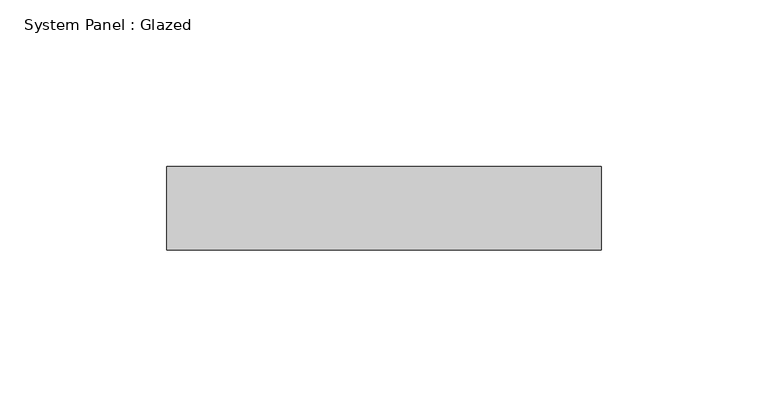
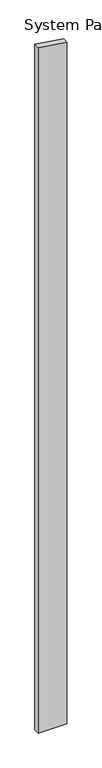
"""IFC4 building model written with IfcOpenShell, lengths in millimetres: plate geometry, System Panel : Glazed."""

import ifcopenshell
import ifcopenshell.guid

model = None  # the IFC model being written
_history = None  # IfcOwnerHistory: only IFC2X3 demands one
_inside = {}  # id of a spatial element -> (the spatial element, [elements in it])
_under = {}  # id of a project, library or spatial element -> (it, [spatial elements below it])
_declared = {}  # id of a project -> (the project, [libraries it declares])
_typed = {}  # id of a type object -> (the type object, [elements of that type])
_made_of = {}  # id of a material, layer set ... -> (it, [elements and type objects made of it])


def new_model(schema):
    """Start an empty IFC model of exactly this schema.

    Asked for "IFC4X3", IfcOpenShell would pick the latest addendum, in which some entities
    have other attributes; the version numbers below select the first issue.
    IFC2X3 requires an IfcOwnerHistory on every rooted entity: one is made here for all.
    """
    global model, _history
    if schema == "IFC4X3":
        model = ifcopenshell.file(schema_version=(4, 3, 0, 0))
    else:
        model = ifcopenshell.file(schema=schema)
    _inside.clear()
    _under.clear()
    _declared.clear()
    _typed.clear()
    _made_of.clear()
    _history = None
    if model.schema == "IFC2X3":
        org = make("IfcOrganization", Name="unknown")
        user = make(
            "IfcPersonAndOrganization",
            ThePerson=make("IfcPerson", FamilyName="unknown"),
            TheOrganization=org,
        )
        app = make(
            "IfcApplication",
            ApplicationDeveloper=org,
            Version="unknown",
            ApplicationFullName="unknown",
            ApplicationIdentifier="unknown",
        )
        _history = make(
            "IfcOwnerHistory",
            OwningUser=user,
            OwningApplication=app,
            ChangeAction="ADDED",
            CreationDate=0,
        )
    return model


def make(cls, **values):
    """One entity of the class cls with the attributes given. An attribute that is None is left unset."""
    return model.create_entity(
        cls, **{name: value for name, value in values.items() if value is not None}
    )


def rooted(cls, **values):
    """An entity with a GlobalId (a new one), such as an element, a storey or a relation."""
    return make(cls, GlobalId=ifcopenshell.guid.new(), OwnerHistory=_history, **values)


def si_unit(unit_type, name, prefix=None):
    """IfcSIUnit, for example si_unit("LENGTHUNIT", "METRE", prefix="MILLI")."""
    return make("IfcSIUnit", UnitType=unit_type, Prefix=prefix, Name=name)


def assignment(units):
    """IfcUnitAssignment: the units of a project."""
    return None if units is None else make("IfcUnitAssignment", Units=units)


def point(xyz):
    """IfcCartesianPoint."""
    return None if xyz is None else make("IfcCartesianPoint", Coordinates=xyz)


def direction(xyz):
    """IfcDirection."""
    return None if xyz is None else make("IfcDirection", DirectionRatios=xyz)


def frame(location, z_axis=None, x_axis=None):
    """IfcAxis2Placement3D, a coordinate frame: its origin and axes. An axis left out is left unset."""
    return make(
        "IfcAxis2Placement3D",
        Location=point(location),
        Axis=direction(z_axis),
        RefDirection=direction(x_axis),
    )


def origin():
    """The frame at (0, 0, 0) with its axes left unset."""
    return frame((0.0, 0.0, 0.0))


def place(relative_to, where):
    """IfcLocalPlacement: puts the frame where relative to a parent placement (None: the world)."""
    return make(
        "IfcLocalPlacement", PlacementRelTo=relative_to, RelativePlacement=where
    )


def context(
    kind, dimensions, precision=None, world=None, true_north=None, identifier=None
):
    """IfcGeometricRepresentationContext, for example the 3D "Model" context."""
    return make(
        "IfcGeometricRepresentationContext",
        ContextIdentifier=identifier,
        ContextType=kind,
        CoordinateSpaceDimension=dimensions,
        Precision=precision,
        WorldCoordinateSystem=world,
        TrueNorth=true_north,
    )


def project(units=None, contexts=None):
    """IfcProject with its units and contexts."""
    return rooted(
        "IfcProject",
        Name="project",
        RepresentationContexts=contexts,
        UnitsInContext=assignment(units),
    )


def spatial(cls, under=None, at=None, **own):
    """A site, building, storey or space (cls), placed at a placement, below another one or the project."""
    s = rooted(cls, ObjectPlacement=at, **own)
    if under is not None:
        _under.setdefault(under.id(), (under, []))[1].append(s)
    return s


def polyline(points):
    """IfcPolyline through the points."""
    return make("IfcPolyline", Points=[point(p) for p in points])


def outline(outer, holes=None, kind="AREA"):
    """IfcArbitraryClosedProfileDef: a profile drawn as a closed curve; with holes, ...WithVoids."""
    if holes is None:
        return make("IfcArbitraryClosedProfileDef", ProfileType=kind, OuterCurve=outer)
    return make(
        "IfcArbitraryProfileDefWithVoids",
        ProfileType=kind,
        OuterCurve=outer,
        InnerCurves=holes,
    )


def extrude(swept, where, along, depth):
    """IfcExtrudedAreaSolid: the profile swept, set in the frame where, extruded along a direction by depth."""
    return make(
        "IfcExtrudedAreaSolid",
        SweptArea=swept,
        Position=where,
        ExtrudedDirection=direction(along),
        Depth=depth,
    )


def shape(context_of_items, identifier, shape_type, items):
    """IfcShapeRepresentation: the items that make up one representation, for example the "Body"."""
    return make(
        "IfcShapeRepresentation",
        ContextOfItems=context_of_items,
        RepresentationIdentifier=identifier,
        RepresentationType=shape_type,
        Items=items,
    )


def source(mapping_origin, context_of_items, identifier, shape_type, items):
    """IfcRepresentationMap: a shape defined once, which mapped items show again and again."""
    return make(
        "IfcRepresentationMap",
        MappingOrigin=mapping_origin,
        MappedRepresentation=shape(context_of_items, identifier, shape_type, items),
    )


def transform(
    local_origin,
    x_axis=None,
    y_axis=None,
    z_axis=None,
    scale=None,
    scale2=None,
    scale3=None,
    uniform=True,
):
    """IfcCartesianTransformationOperator3D, or its non-uniform kind. x_axis, y_axis, z_axis: its Axis1, 2, 3."""
    if uniform:
        return make(
            "IfcCartesianTransformationOperator3D",
            Axis1=direction(x_axis),
            Axis2=direction(y_axis),
            LocalOrigin=point(local_origin),
            Scale=scale,
            Axis3=direction(z_axis),
        )
    return make(
        "IfcCartesianTransformationOperator3DnonUniform",
        Axis1=direction(x_axis),
        Axis2=direction(y_axis),
        LocalOrigin=point(local_origin),
        Scale=scale,
        Axis3=direction(z_axis),
        Scale2=scale2,
        Scale3=scale3,
    )


def mapped(mapping_source, mapping_target):
    """IfcMappedItem: shows the shape of a source again, moved by a transform."""
    return make(
        "IfcMappedItem", MappingSource=mapping_source, MappingTarget=mapping_target
    )


def made_of(thing, what):
    """Note that an element or type object is made of a material, layer set ...; save() writes the relation."""
    if what is not None:
        _made_of.setdefault(what.id(), (what, []))[1].append(thing)
    return thing


def element(
    cls,
    number,
    at=None,
    inside=None,
    cuts=None,
    type_object=None,
    material=None,
    context=None,
    identifier="Body",
    shape_type=None,
    held_by="IfcProductDefinitionShape",
    body=None,
    shapes=None,
    **own,
):
    """One element of the class cls, such as IfcWall. Its Tag is "e" and its number.

    at: its placement. inside: the storey or other place that contains it. cuts: it is an
    opening in that element (IfcRelVoidsElement). A single representation is given by context,
    identifier, shape_type and body (its items); several are given by shapes. held_by: the class
    of the entity that holds the representations. save() writes the other relations.
    """
    e = rooted(cls, Tag="e%d" % number, ObjectPlacement=at, **own)
    if body is not None:
        shapes = [shape(context, identifier, shape_type, body)]
    if shapes is not None:
        e.Representation = make(held_by, Representations=shapes)
    if inside is not None:
        _inside.setdefault(inside.id(), (inside, []))[1].append(e)
    if cuts is not None:
        rooted(
            "IfcRelVoidsElement", RelatingBuildingElement=cuts, RelatedOpeningElement=e
        )
    if type_object is not None:
        _typed.setdefault(type_object.id(), (type_object, []))[1].append(e)
    return made_of(e, material)


def aggregate(whole, parts):
    """IfcRelAggregates: a whole, such as a stair, and the parts it consists of."""
    return rooted("IfcRelAggregates", RelatingObject=whole, RelatedObjects=parts)


def save(model, path):
    """Write the relations noted so far, then the file.

    IfcRelAggregates (storeys below a building ...), IfcRelContainedInSpatialStructure (elements
    in a storey), IfcRelDefinesByType, IfcRelAssociatesMaterial and IfcRelDeclares: one each for
    every whole, place, type object, material and project.
    """
    for whole, parts in _under.values():
        aggregate(whole, parts)
    for where, things in _inside.values():
        rooted(
            "IfcRelContainedInSpatialStructure",
            RelatedElements=things,
            RelatingStructure=where,
        )
    for kind, things in _typed.values():
        rooted("IfcRelDefinesByType", RelatedObjects=things, RelatingType=kind)
    for what, things in _made_of.values():
        rooted("IfcRelAssociatesMaterial", RelatedObjects=things, RelatingMaterial=what)
    for by, libraries in _declared.values():
        rooted("IfcRelDeclares", RelatingContext=by, RelatedDefinitions=libraries)
    model.write(path)


def system_panel_glazed_007cc3e7(model_context):
    return source(origin(), model_context, "Body", "SweptSolid", [
        extrude(outline(polyline([(0.0, -65.0), (0.0, 65.0), (3252.6924087, 65.0), (3271.9421219, -65.0), (0.0, -65.0)])), frame((0.0, 24.5, 0.0), z_axis=(0.0, 1.0, 0.0), x_axis=(0.0, 0.0, 1.0)), (0.0, 0.0, 1.0), 25.0),
    ])


if __name__ == "__main__":
    model = new_model("IFC4")
    model_context = context("Model", 3, world=origin())
    ifc_project = project(units=[si_unit("LENGTHUNIT", "METRE", prefix="MILLI")], contexts=[model_context])
    site = spatial("IfcSite", under=ifc_project)
    building = spatial("IfcBuilding", under=site)
    placement = place(None, origin())
    system_panel_glazed_shape = system_panel_glazed_007cc3e7(model_context)
    element("IfcPlate", 1, ObjectType="System Panel : Glazed", at=placement, inside=building, context=model_context, shape_type="MappedRepresentation", body=[
        mapped(system_panel_glazed_shape, transform((0.0, 0.0, 0.0), x_axis=(1.0, 0.0, 0.0), y_axis=(0.0, 1.0, 0.0), z_axis=(0.0, 0.0, 1.0))),
    ])
    save(model, "model.ifc")
